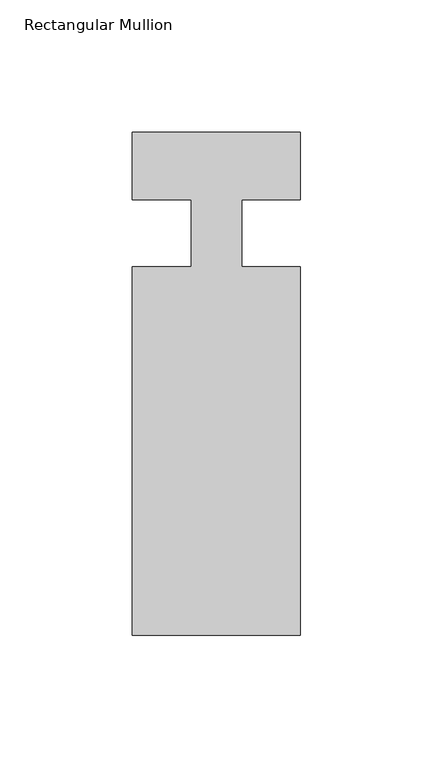
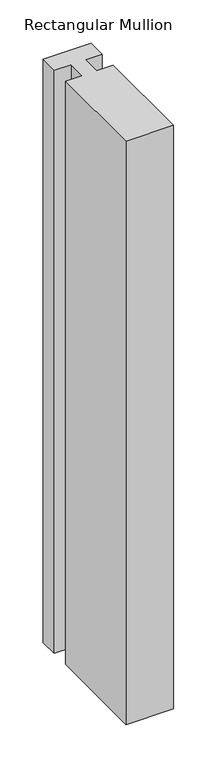
"""IFC4 building model written with IfcOpenShell, lengths in millimetres: member geometry, Rectangular Mullion."""

import ifcopenshell
import ifcopenshell.guid

model = None  # the IFC model being written
_history = None  # IfcOwnerHistory: only IFC2X3 demands one
_inside = {}  # id of a spatial element -> (the spatial element, [elements in it])
_under = {}  # id of a project, library or spatial element -> (it, [spatial elements below it])
_declared = {}  # id of a project -> (the project, [libraries it declares])
_typed = {}  # id of a type object -> (the type object, [elements of that type])
_made_of = {}  # id of a material, layer set ... -> (it, [elements and type objects made of it])


def new_model(schema):
    """Start an empty IFC model of exactly this schema.

    Asked for "IFC4X3", IfcOpenShell would pick the latest addendum, in which some entities
    have other attributes; the version numbers below select the first issue.
    IFC2X3 requires an IfcOwnerHistory on every rooted entity: one is made here for all.
    """
    global model, _history
    if schema == "IFC4X3":
        model = ifcopenshell.file(schema_version=(4, 3, 0, 0))
    else:
        model = ifcopenshell.file(schema=schema)
    _inside.clear()
    _under.clear()
    _declared.clear()
    _typed.clear()
    _made_of.clear()
    _history = None
    if model.schema == "IFC2X3":
        org = make("IfcOrganization", Name="unknown")
        user = make(
            "IfcPersonAndOrganization",
            ThePerson=make("IfcPerson", FamilyName="unknown"),
            TheOrganization=org,
        )
        app = make(
            "IfcApplication",
            ApplicationDeveloper=org,
            Version="unknown",
            ApplicationFullName="unknown",
            ApplicationIdentifier="unknown",
        )
        _history = make(
            "IfcOwnerHistory",
            OwningUser=user,
            OwningApplication=app,
            ChangeAction="ADDED",
            CreationDate=0,
        )
    return model


def make(cls, **values):
    """One entity of the class cls with the attributes given. An attribute that is None is left unset."""
    return model.create_entity(
        cls, **{name: value for name, value in values.items() if value is not None}
    )


def rooted(cls, **values):
    """An entity with a GlobalId (a new one), such as an element, a storey or a relation."""
    return make(cls, GlobalId=ifcopenshell.guid.new(), OwnerHistory=_history, **values)


def si_unit(unit_type, name, prefix=None):
    """IfcSIUnit, for example si_unit("LENGTHUNIT", "METRE", prefix="MILLI")."""
    return make("IfcSIUnit", UnitType=unit_type, Prefix=prefix, Name=name)


def assignment(units):
    """IfcUnitAssignment: the units of a project."""
    return None if units is None else make("IfcUnitAssignment", Units=units)


def point(xyz):
    """IfcCartesianPoint."""
    return None if xyz is None else make("IfcCartesianPoint", Coordinates=xyz)


def direction(xyz):
    """IfcDirection."""
    return None if xyz is None else make("IfcDirection", DirectionRatios=xyz)


def frame(location, z_axis=None, x_axis=None):
    """IfcAxis2Placement3D, a coordinate frame: its origin and axes. An axis left out is left unset."""
    return make(
        "IfcAxis2Placement3D",
        Location=point(location),
        Axis=direction(z_axis),
        RefDirection=direction(x_axis),
    )


def origin():
    """The frame at (0, 0, 0) with its axes left unset."""
    return frame((0.0, 0.0, 0.0))


def place(relative_to, where):
    """IfcLocalPlacement: puts the frame where relative to a parent placement (None: the world)."""
    return make(
        "IfcLocalPlacement", PlacementRelTo=relative_to, RelativePlacement=where
    )


def context(
    kind, dimensions, precision=None, world=None, true_north=None, identifier=None
):
    """IfcGeometricRepresentationContext, for example the 3D "Model" context."""
    return make(
        "IfcGeometricRepresentationContext",
        ContextIdentifier=identifier,
        ContextType=kind,
        CoordinateSpaceDimension=dimensions,
        Precision=precision,
        WorldCoordinateSystem=world,
        TrueNorth=true_north,
    )


def project(units=None, contexts=None):
    """IfcProject with its units and contexts."""
    return rooted(
        "IfcProject",
        Name="project",
        RepresentationContexts=contexts,
        UnitsInContext=assignment(units),
    )


def spatial(cls, under=None, at=None, **own):
    """A site, building, storey or space (cls), placed at a placement, below another one or the project."""
    s = rooted(cls, ObjectPlacement=at, **own)
    if under is not None:
        _under.setdefault(under.id(), (under, []))[1].append(s)
    return s


def polyline(points):
    """IfcPolyline through the points."""
    return make("IfcPolyline", Points=[point(p) for p in points])


def outline(outer, holes=None, kind="AREA"):
    """IfcArbitraryClosedProfileDef: a profile drawn as a closed curve; with holes, ...WithVoids."""
    if holes is None:
        return make("IfcArbitraryClosedProfileDef", ProfileType=kind, OuterCurve=outer)
    return make(
        "IfcArbitraryProfileDefWithVoids",
        ProfileType=kind,
        OuterCurve=outer,
        InnerCurves=holes,
    )


def extrude(swept, where, along, depth):
    """IfcExtrudedAreaSolid: the profile swept, set in the frame where, extruded along a direction by depth."""
    return make(
        "IfcExtrudedAreaSolid",
        SweptArea=swept,
        Position=where,
        ExtrudedDirection=direction(along),
        Depth=depth,
    )


def shape(context_of_items, identifier, shape_type, items):
    """IfcShapeRepresentation: the items that make up one representation, for example the "Body"."""
    return make(
        "IfcShapeRepresentation",
        ContextOfItems=context_of_items,
        RepresentationIdentifier=identifier,
        RepresentationType=shape_type,
        Items=items,
    )


def source(mapping_origin, context_of_items, identifier, shape_type, items):
    """IfcRepresentationMap: a shape defined once, which mapped items show again and again."""
    return make(
        "IfcRepresentationMap",
        MappingOrigin=mapping_origin,
        MappedRepresentation=shape(context_of_items, identifier, shape_type, items),
    )


def transform(
    local_origin,
    x_axis=None,
    y_axis=None,
    z_axis=None,
    scale=None,
    scale2=None,
    scale3=None,
    uniform=True,
):
    """IfcCartesianTransformationOperator3D, or its non-uniform kind. x_axis, y_axis, z_axis: its Axis1, 2, 3."""
    if uniform:
        return make(
            "IfcCartesianTransformationOperator3D",
            Axis1=direction(x_axis),
            Axis2=direction(y_axis),
            LocalOrigin=point(local_origin),
            Scale=scale,
            Axis3=direction(z_axis),
        )
    return make(
        "IfcCartesianTransformationOperator3DnonUniform",
        Axis1=direction(x_axis),
        Axis2=direction(y_axis),
        LocalOrigin=point(local_origin),
        Scale=scale,
        Axis3=direction(z_axis),
        Scale2=scale2,
        Scale3=scale3,
    )


def mapped(mapping_source, mapping_target):
    """IfcMappedItem: shows the shape of a source again, moved by a transform."""
    return make(
        "IfcMappedItem", MappingSource=mapping_source, MappingTarget=mapping_target
    )


def made_of(thing, what):
    """Note that an element or type object is made of a material, layer set ...; save() writes the relation."""
    if what is not None:
        _made_of.setdefault(what.id(), (what, []))[1].append(thing)
    return thing


def element(
    cls,
    number,
    at=None,
    inside=None,
    cuts=None,
    type_object=None,
    material=None,
    context=None,
    identifier="Body",
    shape_type=None,
    held_by="IfcProductDefinitionShape",
    body=None,
    shapes=None,
    **own,
):
    """One element of the class cls, such as IfcWall. Its Tag is "e" and its number.

    at: its placement. inside: the storey or other place that contains it. cuts: it is an
    opening in that element (IfcRelVoidsElement). A single representation is given by context,
    identifier, shape_type and body (its items); several are given by shapes. held_by: the class
    of the entity that holds the representations. save() writes the other relations.
    """
    e = rooted(cls, Tag="e%d" % number, ObjectPlacement=at, **own)
    if body is not None:
        shapes = [shape(context, identifier, shape_type, body)]
    if shapes is not None:
        e.Representation = make(held_by, Representations=shapes)
    if inside is not None:
        _inside.setdefault(inside.id(), (inside, []))[1].append(e)
    if cuts is not None:
        rooted(
            "IfcRelVoidsElement", RelatingBuildingElement=cuts, RelatedOpeningElement=e
        )
    if type_object is not None:
        _typed.setdefault(type_object.id(), (type_object, []))[1].append(e)
    return made_of(e, material)


def aggregate(whole, parts):
    """IfcRelAggregates: a whole, such as a stair, and the parts it consists of."""
    return rooted("IfcRelAggregates", RelatingObject=whole, RelatedObjects=parts)


def save(model, path):
    """Write the relations noted so far, then the file.

    IfcRelAggregates (storeys below a building ...), IfcRelContainedInSpatialStructure (elements
    in a storey), IfcRelDefinesByType, IfcRelAssociatesMaterial and IfcRelDeclares: one each for
    every whole, place, type object, material and project.
    """
    for whole, parts in _under.values():
        aggregate(whole, parts)
    for where, things in _inside.values():
        rooted(
            "IfcRelContainedInSpatialStructure",
            RelatedElements=things,
            RelatingStructure=where,
        )
    for kind, things in _typed.values():
        rooted("IfcRelDefinesByType", RelatedObjects=things, RelatingType=kind)
    for what, things in _made_of.values():
        rooted("IfcRelAssociatesMaterial", RelatedObjects=things, RelatingMaterial=what)
    for by, libraries in _declared.values():
        rooted("IfcRelDeclares", RelatingContext=by, RelatedDefinitions=libraries)
    model.write(path)


def rectangular_mullion_86464970(model_context):
    return source(origin(), model_context, "Body", "SweptSolid", [
        extrude(outline(polyline([(-31.75, -151.9039062), (-31.75, -12.7119062), (-9.5251132, -12.7119062), (-9.5251132, 12.7044051), (-31.75, 12.7044051), (-31.75, 38.0880937), (31.75, 38.0880938), (31.75, 12.7185702), (9.525, 12.7185702), (9.525, -12.7119062), (31.75, -12.7119062), (31.75, -151.9039062), (-31.75, -151.9039062)])), frame((0.0, 0.0, -819.1499939), z_axis=(0.0, 0.0, 1.0), x_axis=(1.0, 0.0, 0.0)), (0.0, 0.0, 1.0), 819.1499939),
    ])


if __name__ == "__main__":
    model = new_model("IFC4")
    model_context = context("Model", 3, world=origin())
    ifc_project = project(units=[si_unit("LENGTHUNIT", "METRE", prefix="MILLI")], contexts=[model_context])
    site = spatial("IfcSite", under=ifc_project)
    building = spatial("IfcBuilding", under=site)
    placement = place(None, origin())
    rectangular_mullion_shape = rectangular_mullion_86464970(model_context)
    element("IfcMember", 1, ObjectType="Rectangular Mullion", at=placement, inside=building, context=model_context, shape_type="MappedRepresentation", body=[
        mapped(rectangular_mullion_shape, transform((0.0, 0.0, 0.0), x_axis=(1.0, 0.0, 0.0), y_axis=(0.0, 1.0, 0.0), z_axis=(0.0, 0.0, 1.0))),
    ])
    save(model, "model.ifc")
